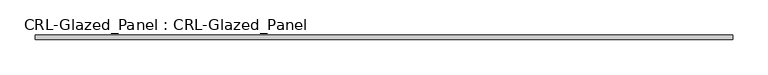
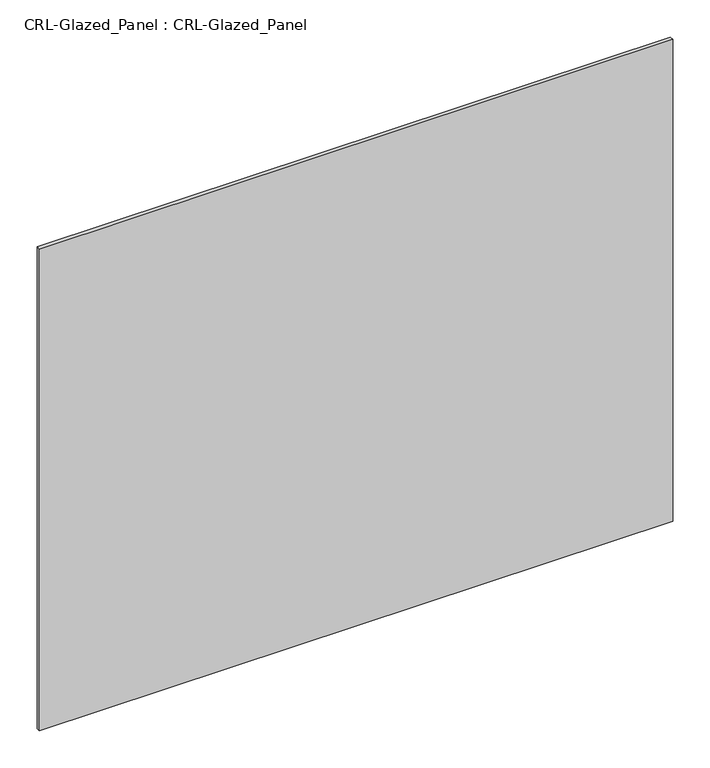
"""IFC4 building model written with IfcOpenShell, lengths in millimetres: plate geometry, CRL-Glazed_Panel : CRL-Glazed_Panel."""

from ifc_helpers import new_model, si_unit, origin, origin_with_axes, place, context, project, spatial, polyline, outline, extrude, source, transform, mapped, element, save


def crl_glazed_panel_crl_glazed_panel_69010523(model_context):
    return source(origin(), model_context, "Body", "SweptSolid", [
        extrude(outline(polyline([(493.7125, 3.1749999), (493.7125, -3.1749999), (-493.7125, -3.1749999), (-493.7125, 3.1749999), (493.7125, 3.1749999)])), origin_with_axes(), (0.0, 0.0, 1.0), 794.5565195),
    ])


if __name__ == "__main__":
    model = new_model("IFC4")
    model_context = context("Model", 3, world=origin())
    ifc_project = project(units=[si_unit("LENGTHUNIT", "METRE", prefix="MILLI")], contexts=[model_context])
    site = spatial("IfcSite", under=ifc_project)
    building = spatial("IfcBuilding", under=site)
    placement = place(None, origin())
    crl_glazed_panel_crl_glazed_panel_shape = crl_glazed_panel_crl_glazed_panel_69010523(model_context)
    element("IfcPlate", 1, ObjectType="CRL-Glazed_Panel : CRL-Glazed_Panel", at=placement, inside=building, context=model_context, shape_type="MappedRepresentation", body=[
        mapped(crl_glazed_panel_crl_glazed_panel_shape, transform((0.0, 0.0, 0.0), x_axis=(1.0, 0.0, 0.0), y_axis=(0.0, 1.0, 0.0), z_axis=(0.0, 0.0, 1.0))),
    ])
    save(model, "model.ifc")
